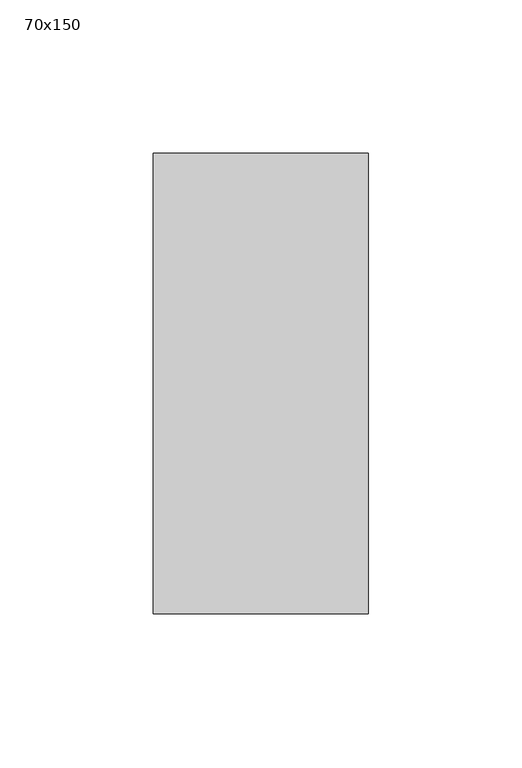
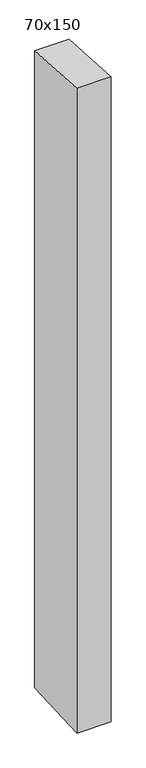
"""IFC4 building model written with IfcOpenShell, lengths in millimetres: member geometry, 70x150."""

from ifc_helpers import new_model, si_unit, frame, origin, place, context, project, spatial, polyline, outline, extrude, source, transform, mapped, element, save


def member_70x150_a4de2db9(model_context):
    return source(origin(), model_context, "Body", "SweptSolid", [
        extrude(outline(polyline([(-75.0, 4.9473546), (75.0, -4.9473546), (75.0, -1384.6350535), (-75.0, -1392.1148042), (-75.0, 4.9473546)])), frame((-35.0, 0.0, 0.0), z_axis=(1.0, 0.0, 0.0), x_axis=(0.0, 1.0, 0.0)), (0.0, 0.0, 1.0), 70.0),
    ])


if __name__ == "__main__":
    model = new_model("IFC4")
    model_context = context("Model", 3, world=origin())
    ifc_project = project(units=[si_unit("LENGTHUNIT", "METRE", prefix="MILLI")], contexts=[model_context])
    site = spatial("IfcSite", under=ifc_project)
    building = spatial("IfcBuilding", under=site)
    placement = place(None, origin())
    member_70x150_shape = member_70x150_a4de2db9(model_context)
    element("IfcMember", 1, ObjectType="70x150", at=placement, inside=building, context=model_context, shape_type="MappedRepresentation", body=[
        mapped(member_70x150_shape, transform((0.0, 0.0, 0.0), x_axis=(1.0, 0.0, 0.0), y_axis=(0.0, 1.0, 0.0), z_axis=(0.0, 0.0, 1.0))),
    ])
    save(model, "model.ifc")
